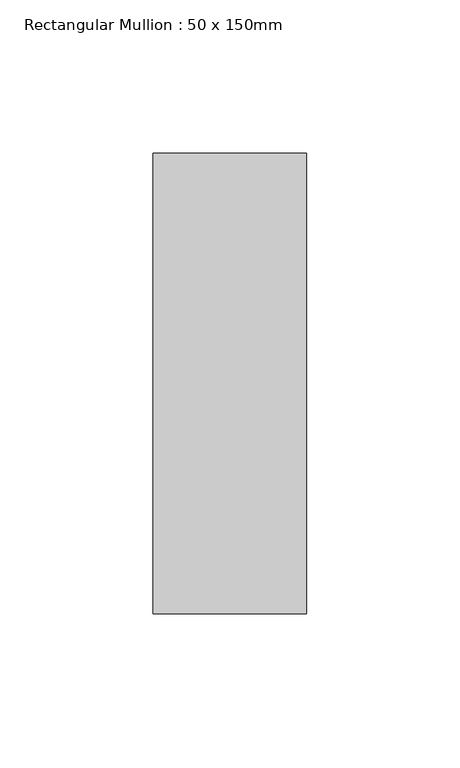
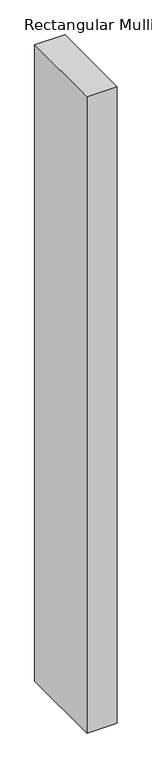
"""IFC4 building model written with IfcOpenShell, lengths in millimetres: member geometry, Rectangular Mullion : 50 x 150mm."""

from ifc_helpers import new_model, si_unit, frame, origin, place, context, project, spatial, polyline, outline, extrude, source, transform, mapped, element, save


def rectangular_mullion_50_x_150mm_073d58cb(model_context):
    return source(origin(), model_context, "Body", "SweptSolid", [
        extrude(outline(polyline([(0.0, 75.0), (0.0, -75.0), (-50.0, -75.0), (-50.0, 75.0), (0.0, 75.0)])), frame((0.0, 0.0, -1115.8204853), z_axis=(0.0, 0.0, 1.0), x_axis=(1.0, 0.0, 0.0)), (0.0, 0.0, 1.0), 1115.8204853),
    ])


if __name__ == "__main__":
    model = new_model("IFC4")
    model_context = context("Model", 3, world=origin())
    ifc_project = project(units=[si_unit("LENGTHUNIT", "METRE", prefix="MILLI")], contexts=[model_context])
    site = spatial("IfcSite", under=ifc_project)
    building = spatial("IfcBuilding", under=site)
    placement = place(None, origin())
    rectangular_mullion_50_x_150mm_shape = rectangular_mullion_50_x_150mm_073d58cb(model_context)
    element("IfcMember", 1, ObjectType="Rectangular Mullion : 50 x 150mm", at=placement, inside=building, context=model_context, shape_type="MappedRepresentation", body=[
        mapped(rectangular_mullion_50_x_150mm_shape, transform((0.0, 0.0, 0.0), x_axis=(1.0, 0.0, 0.0), y_axis=(0.0, 1.0, 0.0), z_axis=(0.0, 0.0, 1.0))),
    ])
    save(model, "model.ifc")
